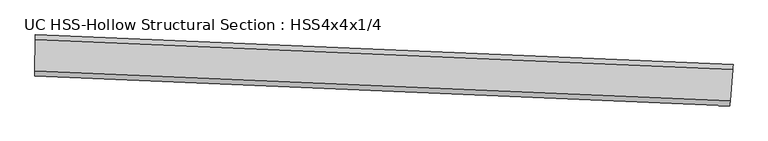
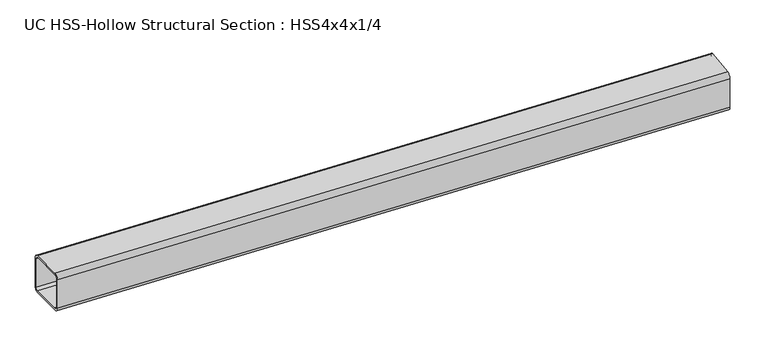
"""IFC4 building model written with IfcOpenShell, lengths in millimetres: beam geometry, UC HSS-Hollow Structural Section : HSS4x4x1/4."""

from ifc_helpers import new_model, si_unit, point, frame, origin, place, context, project, spatial, polyline, circle_curve, ellipse_curve, trimmed, source, transform, mapped, element, save
from ifc_brep_helpers import plane_surface, cylinder_surface, revolved_surface, advanced_brep


def uc_hss_hollow_structural_section_hss4x4x1_4_bbee4205(model_context):
    return source(origin(), model_context, "Body", "AdvancedBrep", [
        advanced_brep(
        [(101.5967438, -51.0320546, 38.9636), (101.650814, -39.1957781, 50.8), (102.0067953, 38.7306088, 50.8), (102.0608654, 50.5668853, 38.9636), (102.0608654, 50.5668853, -38.9636), (102.0067953, 38.7306088, -50.8), (101.650814, -39.1957781, -50.8), (101.5967438, -51.0320546, -38.9636), (102.0067953, 38.7306088, 44.8818), (101.650814, -39.1957781, 44.8818), (101.6237789, -45.1139163, 38.9636), (101.6237789, -45.1139163, -38.9636), (101.650814, -39.1957781, -44.8818), (102.0067953, 38.7306088, -44.8818), (102.0338304, 44.6487471, -38.9636), (102.0338304, 44.6487471, 38.9636), (1808.534739, -124.4549223, 38.9636), (1808.534739, -124.4549223, -38.9636), (1809.497248, -112.6577217, -50.8), (1815.83411, -34.9885986, -50.8), (1816.796619, -23.1913981, -38.9636), (1816.796619, -23.1913981, 38.9636), (1815.83411, -34.9885986, 50.8), (1809.497248, -112.6577217, 50.8), (1815.83411, -34.9885986, 44.8818), (1816.3153645, -29.0899984, 38.9636), (1816.3153645, -29.0899984, -38.9636), (1815.83411, -34.9885986, -44.8818), (1809.497248, -112.6577217, -44.8818), (1809.0159935, -118.556322, -38.9636), (1809.0159935, -118.556322, 38.9636), (1809.497248, -112.6577217, 44.8818)],
        [
            (0, 1, circle_curve(frame((101.650814, -39.1957781, 38.9636), z_axis=(-0.999989566056174, 0.004568126397664851, 0.0), x_axis=(0.004568126397664851, 0.999989566056174, 0.0)), 11.8364)),
            (1, 2),
            (2, 3, circle_curve(frame((102.0067953, 38.7306088, 38.9636), z_axis=(-0.999989566056174, 0.004568126397664851, 0.0), x_axis=(0.004568126397664851, 0.999989566056174, 0.0)), 11.8364)),
            (3, 4),
            (4, 5, circle_curve(frame((102.0067953, 38.7306088, -38.9636), z_axis=(-0.999989566056174, 0.004568126397664851, 0.0), x_axis=(0.004568126397664851, 0.999989566056174, 0.0)), 11.8364)),
            (5, 6),
            (6, 7, circle_curve(frame((101.650814, -39.1957781, -38.9636), z_axis=(-0.999989566056174, 0.004568126397664851, 0.0), x_axis=(0.004568126397664851, 0.999989566056174, 0.0)), 11.8364)),
            (7, 0),
            (8, 9),
            (9, 10, circle_curve(frame((101.650814, -39.1957781, 38.9636), z_axis=(0.999989566056174, -0.004568126397664851, 0.0), x_axis=(0.004568126397664851, 0.999989566056174, 0.0)), 5.9182)),
            (10, 11),
            (11, 12, circle_curve(frame((101.650814, -39.1957781, -38.9636), z_axis=(0.999989566056174, -0.004568126397664851, 0.0), x_axis=(0.004568126397664851, 0.999989566056174, 0.0)), 5.9182)),
            (12, 13),
            (13, 14, circle_curve(frame((102.0067953, 38.7306088, -38.9636), z_axis=(0.999989566056174, -0.004568126397664851, 0.0), x_axis=(0.004568126397664851, 0.999989566056174, 0.0)), 5.9182)),
            (14, 15),
            (15, 8, circle_curve(frame((102.0067953, 38.7306088, 38.9636), z_axis=(0.999989566056174, -0.004568126397664851, 0.0), x_axis=(0.004568126397664851, 0.999989566056174, 0.0)), 5.9182)),
            (16, 17),
            (17, 18, circle_curve(frame((1809.497248, -112.6577217, -38.9636), z_axis=(0.9966882305253137, -0.08131771721045317, 0.0), x_axis=(0.08131771721045317, 0.9966882305253137, 0.0)), 11.8364)),
            (18, 19),
            (19, 20, circle_curve(frame((1815.83411, -34.9885986, -38.9636), z_axis=(0.9966882305253137, -0.08131771721045317, 0.0), x_axis=(0.08131771721045317, 0.9966882305253137, 0.0)), 11.8364)),
            (20, 21),
            (21, 22, circle_curve(frame((1815.83411, -34.9885986, 38.9636), z_axis=(0.9966882305253137, -0.08131771721045317, 0.0), x_axis=(0.08131771721045317, 0.9966882305253137, 0.0)), 11.8364)),
            (22, 23),
            (23, 16, circle_curve(frame((1809.497248, -112.6577217, 38.9636), z_axis=(0.9966882305253137, -0.08131771721045317, 0.0), x_axis=(0.08131771721045317, 0.9966882305253137, 0.0)), 11.8364)),
            (24, 25, circle_curve(frame((1815.83411, -34.9885986, 38.9636), z_axis=(-0.9966882305253137, 0.08131771721045317, 0.0), x_axis=(0.08131771721045317, 0.9966882305253137, 0.0)), 5.9182)),
            (25, 26),
            (26, 27, circle_curve(frame((1815.83411, -34.9885986, -38.9636), z_axis=(-0.9966882305253137, 0.08131771721045317, 0.0), x_axis=(0.08131771721045317, 0.9966882305253137, 0.0)), 5.9182)),
            (27, 28),
            (28, 29, circle_curve(frame((1809.497248, -112.6577217, -38.9636), z_axis=(-0.9966882305253137, 0.08131771721045317, 0.0), x_axis=(0.08131771721045317, 0.9966882305253137, 0.0)), 5.9182)),
            (29, 30),
            (30, 31, circle_curve(frame((1809.497248, -112.6577217, 38.9636), z_axis=(-0.9966882305253137, 0.08131771721045317, 0.0), x_axis=(0.08131771721045317, 0.9966882305253137, 0.0)), 5.9182)),
            (31, 24),
            (0, 16, circle_curve(frame((0.0, -22291.1530374, 38.9636), z_axis=(0.0, 0.0, -1.0), x_axis=(-0.2142616929129211, -0.97677629319619, 0.0)), 22240.3530374)),
            (23, 1, circle_curve(frame((0.0, -22291.1530374, 50.8), z_axis=(0.0, 0.0, 1.0), x_axis=(-0.2142616929129211, -0.97677629319619, 0.0)), 22252.1894374)),
            (22, 2, circle_curve(frame((0.0, -22291.1530374, 50.8), z_axis=(0.0, 0.0, 1.0), x_axis=(-0.2142616929129211, -0.97677629319619, 0.0)), 22330.1166374)),
            (21, 3, circle_curve(frame((0.0, -22291.1530374, 38.9636), z_axis=(0.0, 0.0, 1.0), x_axis=(-0.2142616929129211, -0.97677629319619, 0.0)), 22341.9530374)),
            (20, 4, circle_curve(frame((0.0, -22291.1530374, -38.9636), z_axis=(0.0, 0.0, 1.0), x_axis=(-0.2142616929129211, -0.97677629319619, 0.0)), 22341.9530374)),
            (19, 5, circle_curve(frame((0.0, -22291.1530374, -50.8), z_axis=(0.0, 0.0, 1.0), x_axis=(-0.2142616929129211, -0.97677629319619, 0.0)), 22330.1166374)),
            (18, 6, circle_curve(frame((0.0, -22291.1530374, -50.8), z_axis=(0.0, 0.0, 1.0), x_axis=(-0.2142616929129211, -0.97677629319619, 0.0)), 22252.1894374)),
            (17, 7, circle_curve(frame((0.0, -22291.1530374, -38.9636), z_axis=(0.0, 0.0, 1.0), x_axis=(-0.2142616929129211, -0.97677629319619, 0.0)), 22240.3530374)),
            (8, 24, circle_curve(frame((0.0, -22291.1530374, 44.8818), z_axis=(0.0, 0.0, -1.0), x_axis=(-0.2142616929129211, -0.97677629319619, 0.0)), 22330.1166374)),
            (31, 9, circle_curve(frame((0.0, -22291.1530374, 44.8818), z_axis=(0.0, 0.0, 1.0), x_axis=(-0.2142616929129211, -0.97677629319619, 0.0)), 22252.1894374)),
            (30, 10, circle_curve(frame((0.0, -22291.1530374, 38.9636), z_axis=(0.0, 0.0, 1.0), x_axis=(-0.2142616929129211, -0.97677629319619, 0.0)), 22246.2712374)),
            (29, 11, circle_curve(frame((0.0, -22291.1530374, -38.9636), z_axis=(0.0, 0.0, 1.0), x_axis=(-0.2142616929129211, -0.97677629319619, 0.0)), 22246.2712374)),
            (28, 12, circle_curve(frame((0.0, -22291.1530374, -44.8818), z_axis=(0.0, 0.0, 1.0), x_axis=(-0.2142616929129211, -0.97677629319619, 0.0)), 22252.1894374)),
            (27, 13, circle_curve(frame((0.0, -22291.1530374, -44.8818), z_axis=(0.0, 0.0, 1.0), x_axis=(-0.2142616929129211, -0.97677629319619, 0.0)), 22330.1166374)),
            (26, 14, circle_curve(frame((0.0, -22291.1530374, -38.9636), z_axis=(0.0, 0.0, 1.0), x_axis=(-0.2142616929129211, -0.97677629319619, 0.0)), 22336.0348374)),
            (25, 15, circle_curve(frame((0.0, -22291.1530374, 38.9636), z_axis=(0.0, 0.0, 1.0), x_axis=(-0.2142616929129211, -0.97677629319619, 0.0)), 22336.0348374)),
        ],
        [
            plane_surface(frame((101.8288046, -0.2325846, 0.0), z_axis=(-0.999989566056174, 0.004568126397671263, 0.0), x_axis=(0.0, 0.0, 1.0))),
            plane_surface(frame((1812.665679, -73.8231602, 0.0), z_axis=(0.9966882305253132, -0.0813177172104596, 0.0), x_axis=(0.0, 0.0, 1.0))),
            revolved_surface(trimmed(ellipse_curve(frame((-4767.7917799, -44026.5641516, 38.9636), z_axis=(0.9767762931961913, -0.2142616929129148, 0.0), x_axis=(-0.2142616929129148, -0.9767762931961913, 0.0)), 11.8364, 11.8364), [point((-4765.2556928, -44015.0026366, 38.9636))], [point((-4767.7917799, -44026.5641516, 50.8))], True, "CARTESIAN"), (0.0, -22291.1530374, 0.0), (0.0, 0.0, -1.0000000000000002)),
            plane_surface(frame((0.0, -22291.1530374, 50.8), z_axis=(0.0, 0.0, 1.0000000000000002), x_axis=(-0.2142616929129211, -0.97677629319619, 0.0))),
            revolved_surface(trimmed(ellipse_curve(frame((-4784.4885937, -44102.6815931, 38.9636), z_axis=(0.9767762931961913, -0.2142616929129148, 0.0), x_axis=(-0.2142616929129148, -0.9767762931961913, 0.0)), 11.8364, 11.8364), [point((-4784.4885937, -44102.6815931, 50.8))], [point((-4787.0246808, -44114.243108, 38.9636))], True, "CARTESIAN"), (0.0, -22291.1530374, 0.0), (0.0, 0.0, -1.0000000000000002)),
            cylinder_surface(frame((0.0, -22291.1530374, 0.0), z_axis=(0.0, 0.0, -1.0000000000000002), x_axis=(-0.2142616929129211, -0.97677629319619, 0.0)), 22341.9530374),
            revolved_surface(trimmed(ellipse_curve(frame((-4784.4885937, -44102.6815931, -38.9636), z_axis=(0.9767762931961913, -0.2142616929129148, 0.0), x_axis=(-0.2142616929129148, -0.9767762931961913, 0.0)), 11.8364, 11.8364), [point((-4787.0246808, -44114.243108, -38.9636))], [point((-4784.4885937, -44102.6815931, -50.8))], True, "CARTESIAN"), (0.0, -22291.1530374, 0.0), (0.0, 0.0, -1.0000000000000002)),
            plane_surface(frame((0.0, -22291.1530374, -50.8), z_axis=(0.0, 0.0, -1.0000000000000002), x_axis=(-0.2142616929129211, -0.97677629319619, 0.0))),
            revolved_surface(trimmed(ellipse_curve(frame((-4767.7917799, -44026.5641516, -38.9636), z_axis=(0.9767762931961913, -0.2142616929129148, 0.0), x_axis=(-0.2142616929129148, -0.9767762931961913, 0.0)), 11.8364, 11.8364), [point((-4767.7917799, -44026.5641516, -50.8))], [point((-4765.2556928, -44015.0026366, -38.9636))], True, "CARTESIAN"), (0.0, -22291.1530374, 0.0), (0.0, 0.0, -1.0000000000000002)),
            revolved_surface(polyline([(-4765.255692774351, -44015.0026366462, -38.963600000000014), (-4765.255692774351, -44015.0026366462, 38.963600000000014)]), (0.0, -22291.1530374, 0.0), (0.0, 0.0, -1.0000000000000002)),
            plane_surface(frame((0.0, -22291.1530374, 44.8818), z_axis=(0.0, 0.0, -1.0000000000000002), x_axis=(-0.2142616929129211, -0.97677629319619, 0.0))),
            revolved_surface(trimmed(ellipse_curve(frame((-4767.7917799, -44026.5641516, 38.9636), z_axis=(-0.9767762931961913, 0.2142616929129148, 0.0), x_axis=(-0.2142616929129148, -0.9767762931961913, 0.0)), 5.9182, 5.9182), [point((-4767.7917799, -44026.5641516, 44.8818))], [point((-4766.5237363, -44020.7833941, 38.9636))], True, "CARTESIAN"), (0.0, -22291.1530374, 0.0), (0.0, 0.0, -1.0000000000000002)),
            cylinder_surface(frame((0.0, -22291.1530374, 0.0), z_axis=(0.0, 0.0, -1.0000000000000002), x_axis=(-0.2142616929129211, -0.97677629319619, 0.0)), 22246.2712374),
            revolved_surface(trimmed(ellipse_curve(frame((-4767.7917799, -44026.5641516, -38.9636), z_axis=(-0.9767762931961913, 0.2142616929129148, 0.0), x_axis=(-0.2142616929129148, -0.9767762931961913, 0.0)), 5.9182, 5.9182), [point((-4766.5237363, -44020.7833941, -38.9636))], [point((-4767.7917799, -44026.5641516, -44.8818))], True, "CARTESIAN"), (0.0, -22291.1530374, 0.0), (0.0, 0.0, -1.0000000000000002)),
            plane_surface(frame((0.0, -22291.1530374, -44.8818), z_axis=(0.0, 0.0, 1.0000000000000002), x_axis=(-0.2142616929129211, -0.97677629319619, 0.0))),
            revolved_surface(trimmed(ellipse_curve(frame((-4784.4885937, -44102.6815931, -38.9636), z_axis=(-0.9767762931961913, 0.2142616929129148, 0.0), x_axis=(-0.2142616929129148, -0.9767762931961913, 0.0)), 5.9182, 5.9182), [point((-4784.4885937, -44102.6815931, -44.8818))], [point((-4785.7566372, -44108.4623506, -38.9636))], True, "CARTESIAN"), (0.0, -22291.1530374, 0.0), (0.0, 0.0, -1.0000000000000002)),
            revolved_surface(polyline([(-4785.756637223306, -44108.462350576534, -38.963600000000014), (-4785.756637223306, -44108.462350576534, 38.963600000000014)]), (0.0, -22291.1530374, 0.0), (0.0, 0.0, -1.0000000000000002)),
            revolved_surface(trimmed(ellipse_curve(frame((-4784.4885937, -44102.6815931, 38.9636), z_axis=(-0.9767762931961913, 0.2142616929129148, 0.0), x_axis=(-0.2142616929129148, -0.9767762931961913, 0.0)), 5.9182, 5.9182), [point((-4785.7566372, -44108.4623506, 38.9636))], [point((-4784.4885937, -44102.6815931, 44.8818))], True, "CARTESIAN"), (0.0, -22291.1530374, 0.0), (0.0, 0.0, -1.0000000000000002)),
        ],
        [
            (0, [[1, 2, 3, 4, 5, 6, 7, 8], [9, 10, 11, 12, 13, 14, 15, 16]]),
            (1, [[17, 18, 19, 20, 21, 22, 23, 24], [25, 26, 27, 28, 29, 30, 31, 32]]),
            (2, [[-1, 33, -24, 34]]),
            (3, [[-2, -34, -23, 35]]),
            (4, [[-3, -35, -22, 36]]),
            (5, [[-4, -36, -21, 37]]),
            (6, [[-5, -37, -20, 38]]),
            (7, [[-6, -38, -19, 39]]),
            (8, [[-7, -39, -18, 40]]),
            (9, [[-8, -40, -17, -33]]),
            (10, [[-9, 41, -32, 42]]),
            (11, [[-10, -42, -31, 43]]),
            (12, [[-11, -43, -30, 44]]),
            (13, [[-12, -44, -29, 45]]),
            (14, [[-13, -45, -28, 46]]),
            (15, [[-14, -46, -27, 47]]),
            (16, [[-15, -47, -26, 48]]),
            (17, [[-16, -48, -25, -41]]),
        ],
    ),
    ])


if __name__ == "__main__":
    model = new_model("IFC4")
    model_context = context("Model", 3, world=origin())
    ifc_project = project(units=[si_unit("LENGTHUNIT", "METRE", prefix="MILLI")], contexts=[model_context])
    site = spatial("IfcSite", under=ifc_project)
    building = spatial("IfcBuilding", under=site)
    placement = place(None, origin())
    uc_hss_hollow_structural_section_hss4x4x1_4_shape = uc_hss_hollow_structural_section_hss4x4x1_4_bbee4205(model_context)
    element("IfcBeam", 1, ObjectType="UC HSS-Hollow Structural Section : HSS4x4x1/4", at=placement, inside=building, context=model_context, shape_type="MappedRepresentation", body=[
        mapped(uc_hss_hollow_structural_section_hss4x4x1_4_shape, transform((0.0, 0.0, 0.0), x_axis=(1.0, 0.0, 0.0), y_axis=(0.0, 1.0, 0.0), z_axis=(0.0, 0.0, 1.0))),
    ])
    save(model, "model.ifc")
